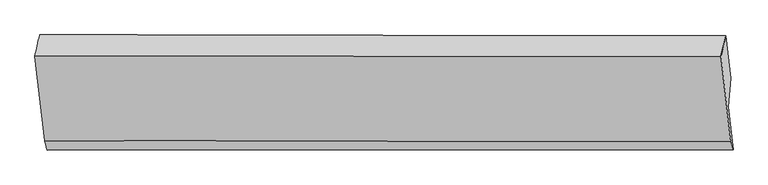
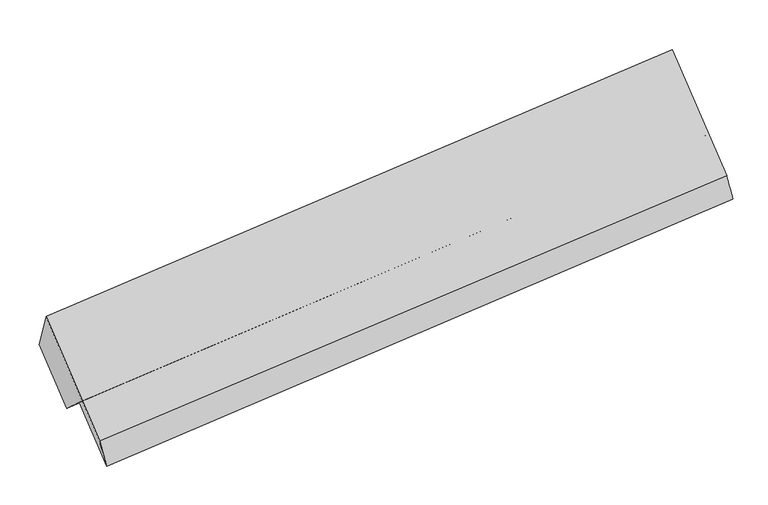
"""IFC4 building model written with IfcOpenShell, lengths in millimetres: proxy geometry."""

from ifc_helpers import new_model, si_unit, frame, origin, place, context, project, spatial, source, transform, mapped, element, save
from ifc_brep_helpers import plane_surface, spline_surface, advanced_brep


def generic_models_187de2ed(model_context):
    return source(origin(), model_context, "Body", "AdvancedBrep", [
        advanced_brep(
        [(-6470.6249236, -1111.7483073, 2314.6593673), (-6370.556924, -1980.3771958, 1324.0111716), (700.1477485, -1991.0922297, 2020.9609649), (598.5650936, -1109.3155472, 3026.6038707), (-6344.9691981, -2076.6198083, 1070.268976), (724.220819, -2074.1870483, 1782.2134794), (-6396.2639755, -1631.3613273, 1578.0744574), (672.9260416, -1628.9285672, 2290.0189608), (-6370.671478, -1337.4522902, 1322.9517093), (698.5185392, -1335.0195301, 2034.8962127), (-6422.1137888, -890.9131625, 1832.2177342), (648.5908838, -901.6281964, 2529.1675274)],
        [
            (0, 1),
            (1, 2),
            (2, 3),
            (3, 0),
            (1, 4),
            (4, 5),
            (5, 2),
            (4, 6),
            (6, 7),
            (7, 5),
            (6, 8),
            (8, 9),
            (9, 7),
            (8, 10),
            (10, 11),
            (11, 9),
            (10, 0),
            (3, 11),
        ],
        [
            plane_surface(frame((-6420.5909238, -1546.0627515, 1819.3352695), z_axis=(-0.06561637150658857, -0.7535507052697704, 0.6541068921649896), x_axis=(0.07573277039790488, -0.6573896997574964, -0.7497355067892991))),
            spline_surface(1, 1, [[(-6370.556924, -1980.3771958, 1324.0111716), (700.1477485, -1991.0922297, 2020.9609649)], [(-6344.9691981, -2076.6198083, 1070.268976), (724.220819, -2074.1870483, 1782.2134794)]], [2, 2], [2, 2], [0.0, 1.0], [0.0, 1.0]),
            plane_surface(frame((-6370.6165868, -1853.9905678, 1324.1717167), z_axis=(0.06561637150658994, 0.7535507052697608, -0.6541068921650003), x_axis=(-0.075732770397906, 0.6573896997575072, 0.7497355067892894))),
            plane_surface(frame((-6383.4677268, -1484.4068088, 1450.5130834), z_axis=(0.07573277039790818, -0.6573896997574946, -0.7497355067893005), x_axis=(0.06561637150658704, 0.753550705269772, -0.6541068921649879))),
            plane_surface(frame((-6396.3926334, -1114.1827264, 1577.5847217), z_axis=(0.06561637150658803, 0.753550705269775, -0.6541068921649842), x_axis=(-0.07573277039790562, 0.6573896997574911, 0.7497355067893037))),
            spline_surface(1, 1, [[(-6422.1137888, -890.9131625, 1832.2177342), (648.5908838, -901.6281964, 2529.1675274)], [(-6470.6249236, -1111.7483073, 2314.6593673), (598.5650936, -1109.3155472, 3026.6038707)]], [2, 2], [2, 2], [0.0, 1.0], [0.0, 1.0]),
            plane_surface(frame((673.8281876, -1506.6951865, 2280.6435026), z_axis=(0.9949668533565168, 0.00034240353485439495, 0.10020400930926499), x_axis=(-0.07573277039790562, 0.6573896997574911, 0.7497355067893037))),
            plane_surface(frame((-6395.8667147, -1504.7453486, 1573.697236), z_axis=(-0.9949668533565166, -0.0003424035348512655, -0.10020400930926593), x_axis=(0.0910501359279085, 0.4144836031120433, -0.9054905938212542))),
        ],
        [
            (0, [[1, 2, 3, 4]]),
            (1, [[5, 6, 7, -2]]),
            (2, [[8, 9, 10, -6]]),
            (3, [[11, 12, 13, -9]]),
            (4, [[14, 15, 16, -12]]),
            (5, [[17, -4, 18, -15]]),
            (6, [[-16, -18, -3, -7, -10, -13]]),
            (7, [[-17, -14, -11, -8, -5, -1]]),
        ],
    ),
    ])


if __name__ == "__main__":
    model = new_model("IFC4")
    model_context = context("Model", 3, world=origin())
    ifc_project = project(units=[si_unit("LENGTHUNIT", "METRE", prefix="MILLI")], contexts=[model_context])
    site = spatial("IfcSite", under=ifc_project)
    building = spatial("IfcBuilding", under=site)
    placement = place(None, origin())
    generic_models_shape = generic_models_187de2ed(model_context)
    element("IfcBuildingElementProxy", 1, Name="Generic Models", at=placement, inside=building, context=model_context, shape_type="MappedRepresentation", body=[
        mapped(generic_models_shape, transform((0.0, 0.0, 0.0), x_axis=(1.0, 0.0, 0.0), y_axis=(0.0, 1.0, 0.0), z_axis=(0.0, 0.0, 1.0))),
    ])
    save(model, "model.ifc")
